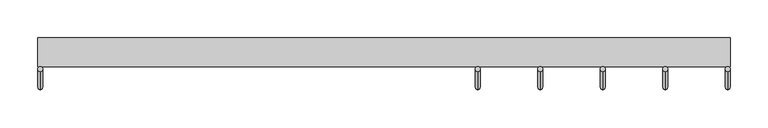
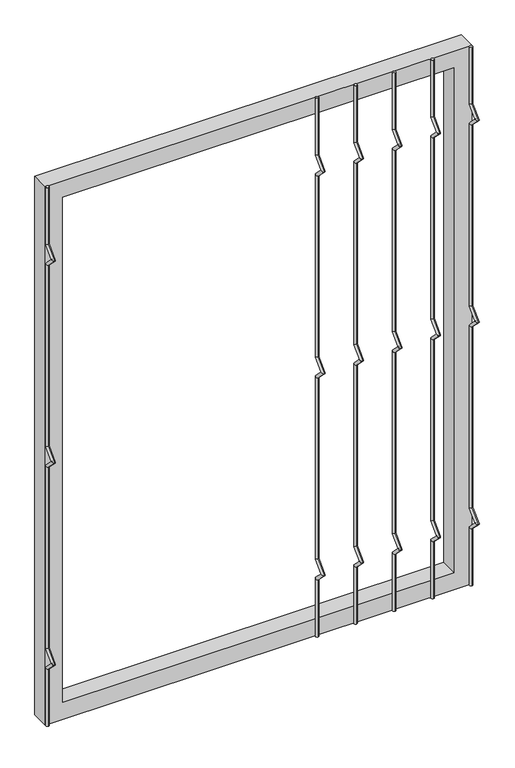
"""IFC4 building model written with IfcOpenShell, lengths in millimetres: railing geometry."""

from ifc_helpers import new_model, si_unit, frame, origin, place, context, project, spatial, polyline, circle_curve, ellipse_curve, outline, extrude, source, transform, mapped, element, save
from ifc_brep_helpers import plane_surface, cylinder_surface, advanced_brep


def railing_e8e0dc01(model_context):
    return source(origin(), model_context, "Body", "SolidModel", [
        advanced_brep(
        [(-20398.3556958, 14808.5554142, 25.4), (-20398.3556958, 14802.2054142, 25.4), (-20398.3556958, 14802.2054142, 154.0342316), (-20398.3556958, 14808.5554142, 156.6644878), (-20398.3556958, 14778.4396458, 177.8), (-20398.3556958, 14787.419902, 177.8), (-20398.3556958, 14802.2054142, 201.5657684), (-20398.3556958, 14808.5554142, 198.9355122), (-20398.3556958, 14802.2054142, 611.2342316), (-20398.3556958, 14808.5554142, 613.8644878), (-20398.3556958, 14778.4396458, 635.0), (-20398.3556958, 14787.419902, 635.0), (-20398.3556958, 14802.2054142, 658.7657684), (-20398.3556958, 14808.5554142, 656.1355122), (-20398.3556958, 14802.2054142, 1068.4342316), (-20398.3556958, 14808.5554142, 1071.0644878), (-20398.3556958, 14778.4396458, 1092.2), (-20398.3556958, 14787.419902, 1092.2), (-20398.3556958, 14802.2054142, 1115.9657684), (-20398.3556958, 14808.5554142, 1113.3355122), (-20398.3556958, 14808.5554142, 1244.6), (-20398.3556958, 14802.2054142, 1244.6)],
        [
            (0, 1, circle_curve(frame((-20398.3556958, 14805.3804142, 25.4), z_axis=(0.0, 0.0, -1.0), x_axis=(0.0, -1.0, 0.0)), 3.175)),
            (1, 0, circle_curve(frame((-20398.3556958, 14805.3804142, 25.4), z_axis=(0.0, 0.0, -1.0), x_axis=(0.0, -1.0, 0.0)), 3.175)),
            (1, 2),
            (2, 3, ellipse_curve(frame((-20398.3556958, 14805.3804142, 155.3493597), z_axis=(0.0, 0.3826834323650955, -0.9238795325112844), x_axis=(0.0, -0.9238795325112845, -0.38268343236509544)), 3.4365952, 3.175)),
            (3, 0),
            (3, 2, ellipse_curve(frame((-20398.3556958, 14805.3804142, 155.3493597), z_axis=(0.0, 0.3826834323650955, -0.9238795325112844), x_axis=(0.0, -0.9238795325112845, -0.38268343236509544)), 3.4365952, 3.175)),
            (2, 4),
            (4, 5, ellipse_curve(frame((-20398.3556958, 14782.9297739, 177.8), z_axis=(0.0, 0.0, -1.0), x_axis=(0.0, 1.0, 0.0)), 4.4901281, 3.175)),
            (5, 3),
            (5, 4, ellipse_curve(frame((-20398.3556958, 14782.9297739, 177.8), z_axis=(0.0, 0.0, -1.0), x_axis=(0.0, 1.0, 0.0)), 4.4901281, 3.175)),
            (4, 6),
            (6, 7, ellipse_curve(frame((-20398.3556958, 14805.3804142, 200.2506403), z_axis=(0.0, -0.3826834323650839, -0.9238795325112892), x_axis=(0.0, -0.9238795325112893, 0.38268343236508373)), 3.4365952, 3.175)),
            (7, 5),
            (7, 6, ellipse_curve(frame((-20398.3556958, 14805.3804142, 200.2506403), z_axis=(0.0, -0.3826834323650839, -0.9238795325112892), x_axis=(0.0, -0.9238795325112893, 0.38268343236508373)), 3.4365952, 3.175)),
            (6, 8),
            (8, 9, ellipse_curve(frame((-20398.3556958, 14805.3804142, 612.5493597), z_axis=(0.0, 0.3826834323651024, -0.9238795325112816), x_axis=(0.0, -0.9238795325112816, -0.382683432365102)), 3.4365952, 3.175)),
            (9, 7),
            (9, 8, ellipse_curve(frame((-20398.3556958, 14805.3804142, 612.5493597), z_axis=(0.0, 0.3826834323651024, -0.9238795325112816), x_axis=(0.0, -0.9238795325112816, -0.382683432365102)), 3.4365952, 3.175)),
            (8, 10),
            (10, 11, ellipse_curve(frame((-20398.3556958, 14782.9297739, 635.0), z_axis=(0.0, 0.0, -1.0), x_axis=(0.0, 1.0, 0.0)), 4.4901281, 3.175)),
            (11, 9),
            (11, 10, ellipse_curve(frame((-20398.3556958, 14782.9297739, 635.0), z_axis=(0.0, 0.0, -1.0), x_axis=(0.0, 1.0, 0.0)), 4.4901281, 3.175)),
            (10, 12),
            (12, 13, ellipse_curve(frame((-20398.3556958, 14805.3804142, 657.4506403), z_axis=(0.0, -0.3826834323650771, -0.923879532511292), x_axis=(0.0, -0.9238795325112918, 0.3826834323650773)), 3.4365952, 3.175)),
            (13, 11),
            (13, 12, ellipse_curve(frame((-20398.3556958, 14805.3804142, 657.4506403), z_axis=(0.0, -0.3826834323650771, -0.923879532511292), x_axis=(0.0, -0.9238795325112918, 0.3826834323650773)), 3.4365952, 3.175)),
            (12, 14),
            (14, 15, ellipse_curve(frame((-20398.3556958, 14805.3804142, 1069.7493597), z_axis=(0.0, 0.3826834323650978, -0.9238795325112834), x_axis=(0.0, -0.9238795325112834, -0.382683432365098)), 3.4365952, 3.175)),
            (15, 13),
            (15, 14, ellipse_curve(frame((-20398.3556958, 14805.3804142, 1069.7493597), z_axis=(0.0, 0.3826834323650978, -0.9238795325112834), x_axis=(0.0, -0.9238795325112834, -0.382683432365098)), 3.4365952, 3.175)),
            (14, 16),
            (16, 17, ellipse_curve(frame((-20398.3556958, 14782.9297739, 1092.2), z_axis=(0.0, 0.0, -1.0), x_axis=(0.0, 1.0, 0.0)), 4.4901281, 3.175)),
            (17, 15),
            (17, 16, ellipse_curve(frame((-20398.3556958, 14782.9297739, 1092.2), z_axis=(0.0, 0.0, -1.0), x_axis=(0.0, 1.0, 0.0)), 4.4901281, 3.175)),
            (16, 18),
            (18, 19, ellipse_curve(frame((-20398.3556958, 14805.3804142, 1114.6506403), z_axis=(0.0, -0.38268343236508223, -0.9238795325112898), x_axis=(0.0, -0.92387953251129, 0.38268343236508207)), 3.4365952, 3.175)),
            (19, 17),
            (19, 18, ellipse_curve(frame((-20398.3556958, 14805.3804142, 1114.6506403), z_axis=(0.0, -0.38268343236508223, -0.9238795325112898), x_axis=(0.0, -0.92387953251129, 0.38268343236508207)), 3.4365952, 3.175)),
            (20, 21, circle_curve(frame((-20398.3556958, 14805.3804142, 1244.6), z_axis=(0.0, 0.0, 1.0), x_axis=(0.0, -1.0, 0.0)), 3.175)),
            (21, 20, circle_curve(frame((-20398.3556958, 14805.3804142, 1244.6), z_axis=(0.0, 0.0, 1.0), x_axis=(0.0, -1.0, 0.0)), 3.175)),
            (18, 21),
            (20, 19),
        ],
        [
            plane_surface(frame((-20398.3556958, 14805.3804142, 25.4), z_axis=(0.0, 0.0, -1.0), x_axis=(-1.0, 0.0, 0.0))),
            cylinder_surface(frame((-20398.3556958, 14805.3804142, 25.4), z_axis=(0.0, 0.0, -1.0), x_axis=(0.0, -1.0, 0.0)), 3.175),
            cylinder_surface(frame((-20398.3556958, 14805.3804142, 155.3493597), z_axis=(0.0, 0.7071067811865563, -0.7071067811865388), x_axis=(0.0, -0.7071067811865388, -0.7071067811865563)), 3.175),
            cylinder_surface(frame((-20398.3556958, 14782.9297739, 177.8), z_axis=(0.0, -0.7071067811865385, -0.7071067811865568), x_axis=(0.0, -0.7071067811865568, 0.7071067811865385)), 3.175),
            cylinder_surface(frame((-20398.3556958, 14805.3804142, 200.2506403), z_axis=(0.0, 0.0, -1.0), x_axis=(0.0, -1.0, 0.0)), 3.175),
            cylinder_surface(frame((-20398.3556958, 14805.3804142, 612.5493597), z_axis=(0.0, 0.7071067811865669, -0.707106781186528), x_axis=(0.0, -0.707106781186528, -0.7071067811865669)), 3.175),
            cylinder_surface(frame((-20398.3556958, 14782.9297739, 635.0), z_axis=(0.0, -0.7071067811865279, -0.7071067811865672), x_axis=(0.0, -0.7071067811865672, 0.7071067811865279)), 3.175),
            cylinder_surface(frame((-20398.3556958, 14805.3804142, 657.4506403), z_axis=(0.0, 0.0, -1.0), x_axis=(0.0, -1.0, 0.0)), 3.175),
            cylinder_surface(frame((-20398.3556958, 14805.3804142, 1069.7493597), z_axis=(0.0, 0.7071067811865601, -0.707106781186535), x_axis=(0.0, -0.707106781186535, -0.7071067811865601)), 3.175),
            cylinder_surface(frame((-20398.3556958, 14782.9297739, 1092.2), z_axis=(0.0, -0.7071067811865356, -0.7071067811865596), x_axis=(0.0, -0.7071067811865596, 0.7071067811865356)), 3.175),
            plane_surface(frame((-20398.3556958, 14805.3804142, 1244.6), z_axis=(0.0, 0.0, 1.0), x_axis=(-1.0, 0.0, 0.0))),
            cylinder_surface(frame((-20398.3556958, 14805.3804142, 1114.6506403), z_axis=(0.0, 0.0, -1.0), x_axis=(0.0, -1.0, 0.0)), 3.175),
        ],
        [
            (0, [[1, 2]]),
            (1, [[3, 4, 5, -2]]),
            (1, [[-5, 6, -3, -1]]),
            (2, [[7, 8, 9, -4]]),
            (2, [[-9, 10, -7, -6]]),
            (3, [[11, 12, 13, -8]]),
            (3, [[-13, 14, -11, -10]]),
            (4, [[15, 16, 17, -12]]),
            (4, [[-17, 18, -15, -14]]),
            (5, [[19, 20, 21, -16]]),
            (5, [[-21, 22, -19, -18]]),
            (6, [[23, 24, 25, -20]]),
            (6, [[-25, 26, -23, -22]]),
            (7, [[27, 28, 29, -24]]),
            (7, [[-29, 30, -27, -26]]),
            (8, [[31, 32, 33, -28]]),
            (8, [[-33, 34, -31, -30]]),
            (9, [[35, 36, 37, -32]]),
            (9, [[-37, 38, -35, -34]]),
            (10, [[39, 40]]),
            (11, [[41, -39, 42, -36]]),
            (11, [[-42, -40, -41, -38]]),
        ],
    ),
        advanced_brep(
        [(-20315.8056958, 14808.5554142, 25.4), (-20315.8056958, 14802.2054142, 25.4), (-20315.8056958, 14802.2054142, 154.0342316), (-20315.8056958, 14808.5554142, 156.6644878), (-20315.8056958, 14778.4396458, 177.8), (-20315.8056958, 14787.419902, 177.8), (-20315.8056958, 14802.2054142, 201.5657684), (-20315.8056958, 14808.5554142, 198.9355122), (-20315.8056958, 14802.2054142, 611.2342316), (-20315.8056958, 14808.5554142, 613.8644878), (-20315.8056958, 14778.4396458, 635.0), (-20315.8056958, 14787.419902, 635.0), (-20315.8056958, 14802.2054142, 658.7657684), (-20315.8056958, 14808.5554142, 656.1355122), (-20315.8056958, 14802.2054142, 1068.4342316), (-20315.8056958, 14808.5554142, 1071.0644878), (-20315.8056958, 14778.4396458, 1092.2), (-20315.8056958, 14787.419902, 1092.2), (-20315.8056958, 14802.2054142, 1115.9657684), (-20315.8056958, 14808.5554142, 1113.3355122), (-20315.8056958, 14808.5554142, 1244.6), (-20315.8056958, 14802.2054142, 1244.6)],
        [
            (0, 1, circle_curve(frame((-20315.8056958, 14805.3804142, 25.4), z_axis=(0.0, 0.0, -1.0), x_axis=(0.0, -1.0, 0.0)), 3.175)),
            (1, 0, circle_curve(frame((-20315.8056958, 14805.3804142, 25.4), z_axis=(0.0, 0.0, -1.0), x_axis=(0.0, -1.0, 0.0)), 3.175)),
            (1, 2),
            (2, 3, ellipse_curve(frame((-20315.8056958, 14805.3804142, 155.3493597), z_axis=(0.0, 0.3826834323650955, -0.9238795325112844), x_axis=(0.0, -0.9238795325112845, -0.38268343236509544)), 3.4365952, 3.175)),
            (3, 0),
            (3, 2, ellipse_curve(frame((-20315.8056958, 14805.3804142, 155.3493597), z_axis=(0.0, 0.3826834323650955, -0.9238795325112844), x_axis=(0.0, -0.9238795325112845, -0.38268343236509544)), 3.4365952, 3.175)),
            (2, 4),
            (4, 5, ellipse_curve(frame((-20315.8056958, 14782.9297739, 177.8), z_axis=(0.0, 0.0, -1.0), x_axis=(0.0, 1.0, 0.0)), 4.4901281, 3.175)),
            (5, 3),
            (5, 4, ellipse_curve(frame((-20315.8056958, 14782.9297739, 177.8), z_axis=(0.0, 0.0, -1.0), x_axis=(0.0, 1.0, 0.0)), 4.4901281, 3.175)),
            (4, 6),
            (6, 7, ellipse_curve(frame((-20315.8056958, 14805.3804142, 200.2506403), z_axis=(0.0, -0.3826834323650839, -0.9238795325112892), x_axis=(0.0, -0.9238795325112893, 0.38268343236508373)), 3.4365952, 3.175)),
            (7, 5),
            (7, 6, ellipse_curve(frame((-20315.8056958, 14805.3804142, 200.2506403), z_axis=(0.0, -0.3826834323650839, -0.9238795325112892), x_axis=(0.0, -0.9238795325112893, 0.38268343236508373)), 3.4365952, 3.175)),
            (6, 8),
            (8, 9, ellipse_curve(frame((-20315.8056958, 14805.3804142, 612.5493597), z_axis=(0.0, 0.3826834323651024, -0.9238795325112816), x_axis=(0.0, -0.9238795325112816, -0.382683432365102)), 3.4365952, 3.175)),
            (9, 7),
            (9, 8, ellipse_curve(frame((-20315.8056958, 14805.3804142, 612.5493597), z_axis=(0.0, 0.3826834323651024, -0.9238795325112816), x_axis=(0.0, -0.9238795325112816, -0.382683432365102)), 3.4365952, 3.175)),
            (8, 10),
            (10, 11, ellipse_curve(frame((-20315.8056958, 14782.9297739, 635.0), z_axis=(0.0, 0.0, -1.0), x_axis=(0.0, 1.0, 0.0)), 4.4901281, 3.175)),
            (11, 9),
            (11, 10, ellipse_curve(frame((-20315.8056958, 14782.9297739, 635.0), z_axis=(0.0, 0.0, -1.0), x_axis=(0.0, 1.0, 0.0)), 4.4901281, 3.175)),
            (10, 12),
            (12, 13, ellipse_curve(frame((-20315.8056958, 14805.3804142, 657.4506403), z_axis=(0.0, -0.3826834323650771, -0.923879532511292), x_axis=(0.0, -0.9238795325112918, 0.3826834323650773)), 3.4365952, 3.175)),
            (13, 11),
            (13, 12, ellipse_curve(frame((-20315.8056958, 14805.3804142, 657.4506403), z_axis=(0.0, -0.3826834323650771, -0.923879532511292), x_axis=(0.0, -0.9238795325112918, 0.3826834323650773)), 3.4365952, 3.175)),
            (12, 14),
            (14, 15, ellipse_curve(frame((-20315.8056958, 14805.3804142, 1069.7493597), z_axis=(0.0, 0.3826834323650978, -0.9238795325112834), x_axis=(0.0, -0.9238795325112834, -0.382683432365098)), 3.4365952, 3.175)),
            (15, 13),
            (15, 14, ellipse_curve(frame((-20315.8056958, 14805.3804142, 1069.7493597), z_axis=(0.0, 0.3826834323650978, -0.9238795325112834), x_axis=(0.0, -0.9238795325112834, -0.382683432365098)), 3.4365952, 3.175)),
            (14, 16),
            (16, 17, ellipse_curve(frame((-20315.8056958, 14782.9297739, 1092.2), z_axis=(0.0, 0.0, -1.0), x_axis=(0.0, 1.0, 0.0)), 4.4901281, 3.175)),
            (17, 15),
            (17, 16, ellipse_curve(frame((-20315.8056958, 14782.9297739, 1092.2), z_axis=(0.0, 0.0, -1.0), x_axis=(0.0, 1.0, 0.0)), 4.4901281, 3.175)),
            (16, 18),
            (18, 19, ellipse_curve(frame((-20315.8056958, 14805.3804142, 1114.6506403), z_axis=(0.0, -0.38268343236508223, -0.9238795325112898), x_axis=(0.0, -0.92387953251129, 0.38268343236508207)), 3.4365952, 3.175)),
            (19, 17),
            (19, 18, ellipse_curve(frame((-20315.8056958, 14805.3804142, 1114.6506403), z_axis=(0.0, -0.38268343236508223, -0.9238795325112898), x_axis=(0.0, -0.92387953251129, 0.38268343236508207)), 3.4365952, 3.175)),
            (20, 21, circle_curve(frame((-20315.8056958, 14805.3804142, 1244.6), z_axis=(0.0, 0.0, 1.0), x_axis=(0.0, -1.0, 0.0)), 3.175)),
            (21, 20, circle_curve(frame((-20315.8056958, 14805.3804142, 1244.6), z_axis=(0.0, 0.0, 1.0), x_axis=(0.0, -1.0, 0.0)), 3.175)),
            (18, 21),
            (20, 19),
        ],
        [
            plane_surface(frame((-20315.8056958, 14805.3804142, 25.4), z_axis=(0.0, 0.0, -1.0), x_axis=(-1.0, 0.0, 0.0))),
            cylinder_surface(frame((-20315.8056958, 14805.3804142, 25.4), z_axis=(0.0, 0.0, -1.0), x_axis=(0.0, -1.0, 0.0)), 3.175),
            cylinder_surface(frame((-20315.8056958, 14805.3804142, 155.3493597), z_axis=(0.0, 0.7071067811865563, -0.7071067811865388), x_axis=(0.0, -0.7071067811865388, -0.7071067811865563)), 3.175),
            cylinder_surface(frame((-20315.8056958, 14782.9297739, 177.8), z_axis=(0.0, -0.7071067811865385, -0.7071067811865568), x_axis=(0.0, -0.7071067811865568, 0.7071067811865385)), 3.175),
            cylinder_surface(frame((-20315.8056958, 14805.3804142, 200.2506403), z_axis=(0.0, 0.0, -1.0), x_axis=(0.0, -1.0, 0.0)), 3.175),
            cylinder_surface(frame((-20315.8056958, 14805.3804142, 612.5493597), z_axis=(0.0, 0.7071067811865669, -0.707106781186528), x_axis=(0.0, -0.707106781186528, -0.7071067811865669)), 3.175),
            cylinder_surface(frame((-20315.8056958, 14782.9297739, 635.0), z_axis=(0.0, -0.7071067811865279, -0.7071067811865672), x_axis=(0.0, -0.7071067811865672, 0.7071067811865279)), 3.175),
            cylinder_surface(frame((-20315.8056958, 14805.3804142, 657.4506403), z_axis=(0.0, 0.0, -1.0), x_axis=(0.0, -1.0, 0.0)), 3.175),
            cylinder_surface(frame((-20315.8056958, 14805.3804142, 1069.7493597), z_axis=(0.0, 0.7071067811865601, -0.707106781186535), x_axis=(0.0, -0.707106781186535, -0.7071067811865601)), 3.175),
            cylinder_surface(frame((-20315.8056958, 14782.9297739, 1092.2), z_axis=(0.0, -0.7071067811865356, -0.7071067811865596), x_axis=(0.0, -0.7071067811865596, 0.7071067811865356)), 3.175),
            plane_surface(frame((-20315.8056958, 14805.3804142, 1244.6), z_axis=(0.0, 0.0, 1.0), x_axis=(-1.0, 0.0, 0.0))),
            cylinder_surface(frame((-20315.8056958, 14805.3804142, 1114.6506403), z_axis=(0.0, 0.0, -1.0), x_axis=(0.0, -1.0, 0.0)), 3.175),
        ],
        [
            (0, [[1, 2]]),
            (1, [[3, 4, 5, -2]]),
            (1, [[-5, 6, -3, -1]]),
            (2, [[7, 8, 9, -4]]),
            (2, [[-9, 10, -7, -6]]),
            (3, [[11, 12, 13, -8]]),
            (3, [[-13, 14, -11, -10]]),
            (4, [[15, 16, 17, -12]]),
            (4, [[-17, 18, -15, -14]]),
            (5, [[19, 20, 21, -16]]),
            (5, [[-21, 22, -19, -18]]),
            (6, [[23, 24, 25, -20]]),
            (6, [[-25, 26, -23, -22]]),
            (7, [[27, 28, 29, -24]]),
            (7, [[-29, 30, -27, -26]]),
            (8, [[31, 32, 33, -28]]),
            (8, [[-33, 34, -31, -30]]),
            (9, [[35, 36, 37, -32]]),
            (9, [[-37, 38, -35, -34]]),
            (10, [[39, 40]]),
            (11, [[41, -39, 42, -36]]),
            (11, [[-42, -40, -41, -38]]),
        ],
    ),
        advanced_brep(
        [(-20233.2556958, 14808.5554142, 25.4), (-20233.2556958, 14802.2054142, 25.4), (-20233.2556958, 14802.2054142, 154.0342316), (-20233.2556958, 14808.5554142, 156.6644878), (-20233.2556958, 14778.4396458, 177.8), (-20233.2556958, 14787.419902, 177.8), (-20233.2556958, 14802.2054142, 201.5657684), (-20233.2556958, 14808.5554142, 198.9355122), (-20233.2556958, 14802.2054142, 611.2342316), (-20233.2556958, 14808.5554142, 613.8644878), (-20233.2556958, 14778.4396458, 635.0), (-20233.2556958, 14787.419902, 635.0), (-20233.2556958, 14802.2054142, 658.7657684), (-20233.2556958, 14808.5554142, 656.1355122), (-20233.2556958, 14802.2054142, 1068.4342316), (-20233.2556958, 14808.5554142, 1071.0644878), (-20233.2556958, 14778.4396458, 1092.2), (-20233.2556958, 14787.419902, 1092.2), (-20233.2556958, 14802.2054142, 1115.9657684), (-20233.2556958, 14808.5554142, 1113.3355122), (-20233.2556958, 14808.5554142, 1244.6), (-20233.2556958, 14802.2054142, 1244.6)],
        [
            (0, 1, circle_curve(frame((-20233.2556958, 14805.3804142, 25.4), z_axis=(0.0, 0.0, -1.0), x_axis=(0.0, -1.0, 0.0)), 3.175)),
            (1, 0, circle_curve(frame((-20233.2556958, 14805.3804142, 25.4), z_axis=(0.0, 0.0, -1.0), x_axis=(0.0, -1.0, 0.0)), 3.175)),
            (1, 2),
            (2, 3, ellipse_curve(frame((-20233.2556958, 14805.3804142, 155.3493597), z_axis=(0.0, 0.3826834323650955, -0.9238795325112844), x_axis=(0.0, -0.9238795325112845, -0.38268343236509544)), 3.4365952, 3.175)),
            (3, 0),
            (3, 2, ellipse_curve(frame((-20233.2556958, 14805.3804142, 155.3493597), z_axis=(0.0, 0.3826834323650955, -0.9238795325112844), x_axis=(0.0, -0.9238795325112845, -0.38268343236509544)), 3.4365952, 3.175)),
            (2, 4),
            (4, 5, ellipse_curve(frame((-20233.2556958, 14782.9297739, 177.8), z_axis=(0.0, 0.0, -1.0), x_axis=(0.0, 1.0, 0.0)), 4.4901281, 3.175)),
            (5, 3),
            (5, 4, ellipse_curve(frame((-20233.2556958, 14782.9297739, 177.8), z_axis=(0.0, 0.0, -1.0), x_axis=(0.0, 1.0, 0.0)), 4.4901281, 3.175)),
            (4, 6),
            (6, 7, ellipse_curve(frame((-20233.2556958, 14805.3804142, 200.2506403), z_axis=(0.0, -0.3826834323650839, -0.9238795325112892), x_axis=(0.0, -0.9238795325112893, 0.38268343236508373)), 3.4365952, 3.175)),
            (7, 5),
            (7, 6, ellipse_curve(frame((-20233.2556958, 14805.3804142, 200.2506403), z_axis=(0.0, -0.3826834323650839, -0.9238795325112892), x_axis=(0.0, -0.9238795325112893, 0.38268343236508373)), 3.4365952, 3.175)),
            (6, 8),
            (8, 9, ellipse_curve(frame((-20233.2556958, 14805.3804142, 612.5493597), z_axis=(0.0, 0.3826834323651024, -0.9238795325112816), x_axis=(0.0, -0.9238795325112816, -0.382683432365102)), 3.4365952, 3.175)),
            (9, 7),
            (9, 8, ellipse_curve(frame((-20233.2556958, 14805.3804142, 612.5493597), z_axis=(0.0, 0.3826834323651024, -0.9238795325112816), x_axis=(0.0, -0.9238795325112816, -0.382683432365102)), 3.4365952, 3.175)),
            (8, 10),
            (10, 11, ellipse_curve(frame((-20233.2556958, 14782.9297739, 635.0), z_axis=(0.0, 0.0, -1.0), x_axis=(0.0, 1.0, 0.0)), 4.4901281, 3.175)),
            (11, 9),
            (11, 10, ellipse_curve(frame((-20233.2556958, 14782.9297739, 635.0), z_axis=(0.0, 0.0, -1.0), x_axis=(0.0, 1.0, 0.0)), 4.4901281, 3.175)),
            (10, 12),
            (12, 13, ellipse_curve(frame((-20233.2556958, 14805.3804142, 657.4506403), z_axis=(0.0, -0.3826834323650771, -0.923879532511292), x_axis=(0.0, -0.9238795325112918, 0.3826834323650773)), 3.4365952, 3.175)),
            (13, 11),
            (13, 12, ellipse_curve(frame((-20233.2556958, 14805.3804142, 657.4506403), z_axis=(0.0, -0.3826834323650771, -0.923879532511292), x_axis=(0.0, -0.9238795325112918, 0.3826834323650773)), 3.4365952, 3.175)),
            (12, 14),
            (14, 15, ellipse_curve(frame((-20233.2556958, 14805.3804142, 1069.7493597), z_axis=(0.0, 0.3826834323650978, -0.9238795325112834), x_axis=(0.0, -0.9238795325112834, -0.382683432365098)), 3.4365952, 3.175)),
            (15, 13),
            (15, 14, ellipse_curve(frame((-20233.2556958, 14805.3804142, 1069.7493597), z_axis=(0.0, 0.3826834323650978, -0.9238795325112834), x_axis=(0.0, -0.9238795325112834, -0.382683432365098)), 3.4365952, 3.175)),
            (14, 16),
            (16, 17, ellipse_curve(frame((-20233.2556958, 14782.9297739, 1092.2), z_axis=(0.0, 0.0, -1.0), x_axis=(0.0, 1.0, 0.0)), 4.4901281, 3.175)),
            (17, 15),
            (17, 16, ellipse_curve(frame((-20233.2556958, 14782.9297739, 1092.2), z_axis=(0.0, 0.0, -1.0), x_axis=(0.0, 1.0, 0.0)), 4.4901281, 3.175)),
            (16, 18),
            (18, 19, ellipse_curve(frame((-20233.2556958, 14805.3804142, 1114.6506403), z_axis=(0.0, -0.38268343236508223, -0.9238795325112898), x_axis=(0.0, -0.92387953251129, 0.38268343236508207)), 3.4365952, 3.175)),
            (19, 17),
            (19, 18, ellipse_curve(frame((-20233.2556958, 14805.3804142, 1114.6506403), z_axis=(0.0, -0.38268343236508223, -0.9238795325112898), x_axis=(0.0, -0.92387953251129, 0.38268343236508207)), 3.4365952, 3.175)),
            (20, 21, circle_curve(frame((-20233.2556958, 14805.3804142, 1244.6), z_axis=(0.0, 0.0, 1.0), x_axis=(0.0, -1.0, 0.0)), 3.175)),
            (21, 20, circle_curve(frame((-20233.2556958, 14805.3804142, 1244.6), z_axis=(0.0, 0.0, 1.0), x_axis=(0.0, -1.0, 0.0)), 3.175)),
            (18, 21),
            (20, 19),
        ],
        [
            plane_surface(frame((-20233.2556958, 14805.3804142, 25.4), z_axis=(0.0, 0.0, -1.0), x_axis=(-1.0, 0.0, 0.0))),
            cylinder_surface(frame((-20233.2556958, 14805.3804142, 25.4), z_axis=(0.0, 0.0, -1.0), x_axis=(0.0, -1.0, 0.0)), 3.175),
            cylinder_surface(frame((-20233.2556958, 14805.3804142, 155.3493597), z_axis=(0.0, 0.7071067811865563, -0.7071067811865388), x_axis=(0.0, -0.7071067811865388, -0.7071067811865563)), 3.175),
            cylinder_surface(frame((-20233.2556958, 14782.9297739, 177.8), z_axis=(0.0, -0.7071067811865385, -0.7071067811865568), x_axis=(0.0, -0.7071067811865568, 0.7071067811865385)), 3.175),
            cylinder_surface(frame((-20233.2556958, 14805.3804142, 200.2506403), z_axis=(0.0, 0.0, -1.0), x_axis=(0.0, -1.0, 0.0)), 3.175),
            cylinder_surface(frame((-20233.2556958, 14805.3804142, 612.5493597), z_axis=(0.0, 0.7071067811865669, -0.707106781186528), x_axis=(0.0, -0.707106781186528, -0.7071067811865669)), 3.175),
            cylinder_surface(frame((-20233.2556958, 14782.9297739, 635.0), z_axis=(0.0, -0.7071067811865279, -0.7071067811865672), x_axis=(0.0, -0.7071067811865672, 0.7071067811865279)), 3.175),
            cylinder_surface(frame((-20233.2556958, 14805.3804142, 657.4506403), z_axis=(0.0, 0.0, -1.0), x_axis=(0.0, -1.0, 0.0)), 3.175),
            cylinder_surface(frame((-20233.2556958, 14805.3804142, 1069.7493597), z_axis=(0.0, 0.7071067811865601, -0.707106781186535), x_axis=(0.0, -0.707106781186535, -0.7071067811865601)), 3.175),
            cylinder_surface(frame((-20233.2556958, 14782.9297739, 1092.2), z_axis=(0.0, -0.7071067811865356, -0.7071067811865596), x_axis=(0.0, -0.7071067811865596, 0.7071067811865356)), 3.175),
            plane_surface(frame((-20233.2556958, 14805.3804142, 1244.6), z_axis=(0.0, 0.0, 1.0), x_axis=(-1.0, 0.0, 0.0))),
            cylinder_surface(frame((-20233.2556958, 14805.3804142, 1114.6506403), z_axis=(0.0, 0.0, -1.0), x_axis=(0.0, -1.0, 0.0)), 3.175),
        ],
        [
            (0, [[1, 2]]),
            (1, [[3, 4, 5, -2]]),
            (1, [[-5, 6, -3, -1]]),
            (2, [[7, 8, 9, -4]]),
            (2, [[-9, 10, -7, -6]]),
            (3, [[11, 12, 13, -8]]),
            (3, [[-13, 14, -11, -10]]),
            (4, [[15, 16, 17, -12]]),
            (4, [[-17, 18, -15, -14]]),
            (5, [[19, 20, 21, -16]]),
            (5, [[-21, 22, -19, -18]]),
            (6, [[23, 24, 25, -20]]),
            (6, [[-25, 26, -23, -22]]),
            (7, [[27, 28, 29, -24]]),
            (7, [[-29, 30, -27, -26]]),
            (8, [[31, 32, 33, -28]]),
            (8, [[-33, 34, -31, -30]]),
            (9, [[35, 36, 37, -32]]),
            (9, [[-37, 38, -35, -34]]),
            (10, [[39, 40]]),
            (11, [[41, -39, 42, -36]]),
            (11, [[-42, -40, -41, -38]]),
        ],
    ),
        advanced_brep(
        [(-20150.7056958, 14808.5554142, 25.4), (-20150.7056958, 14802.2054142, 25.4), (-20150.7056958, 14802.2054142, 154.0342316), (-20150.7056958, 14808.5554142, 156.6644878), (-20150.7056958, 14778.4396458, 177.8), (-20150.7056958, 14787.419902, 177.8), (-20150.7056958, 14802.2054142, 201.5657684), (-20150.7056958, 14808.5554142, 198.9355122), (-20150.7056958, 14802.2054142, 611.2342316), (-20150.7056958, 14808.5554142, 613.8644878), (-20150.7056958, 14778.4396458, 635.0), (-20150.7056958, 14787.419902, 635.0), (-20150.7056958, 14802.2054142, 658.7657684), (-20150.7056958, 14808.5554142, 656.1355122), (-20150.7056958, 14802.2054142, 1068.4342316), (-20150.7056958, 14808.5554142, 1071.0644878), (-20150.7056958, 14778.4396458, 1092.2), (-20150.7056958, 14787.419902, 1092.2), (-20150.7056958, 14802.2054142, 1115.9657684), (-20150.7056958, 14808.5554142, 1113.3355122), (-20150.7056958, 14808.5554142, 1244.6), (-20150.7056958, 14802.2054142, 1244.6)],
        [
            (0, 1, circle_curve(frame((-20150.7056958, 14805.3804142, 25.4), z_axis=(0.0, 0.0, -1.0), x_axis=(0.0, -1.0, 0.0)), 3.175)),
            (1, 0, circle_curve(frame((-20150.7056958, 14805.3804142, 25.4), z_axis=(0.0, 0.0, -1.0), x_axis=(0.0, -1.0, 0.0)), 3.175)),
            (1, 2),
            (2, 3, ellipse_curve(frame((-20150.7056958, 14805.3804142, 155.3493597), z_axis=(0.0, 0.3826834323650955, -0.9238795325112844), x_axis=(0.0, -0.9238795325112845, -0.38268343236509544)), 3.4365952, 3.175)),
            (3, 0),
            (3, 2, ellipse_curve(frame((-20150.7056958, 14805.3804142, 155.3493597), z_axis=(0.0, 0.3826834323650955, -0.9238795325112844), x_axis=(0.0, -0.9238795325112845, -0.38268343236509544)), 3.4365952, 3.175)),
            (2, 4),
            (4, 5, ellipse_curve(frame((-20150.7056958, 14782.9297739, 177.8), z_axis=(0.0, 0.0, -1.0), x_axis=(0.0, 1.0, 0.0)), 4.4901281, 3.175)),
            (5, 3),
            (5, 4, ellipse_curve(frame((-20150.7056958, 14782.9297739, 177.8), z_axis=(0.0, 0.0, -1.0), x_axis=(0.0, 1.0, 0.0)), 4.4901281, 3.175)),
            (4, 6),
            (6, 7, ellipse_curve(frame((-20150.7056958, 14805.3804142, 200.2506403), z_axis=(0.0, -0.3826834323650839, -0.9238795325112892), x_axis=(0.0, -0.9238795325112893, 0.38268343236508373)), 3.4365952, 3.175)),
            (7, 5),
            (7, 6, ellipse_curve(frame((-20150.7056958, 14805.3804142, 200.2506403), z_axis=(0.0, -0.3826834323650839, -0.9238795325112892), x_axis=(0.0, -0.9238795325112893, 0.38268343236508373)), 3.4365952, 3.175)),
            (6, 8),
            (8, 9, ellipse_curve(frame((-20150.7056958, 14805.3804142, 612.5493597), z_axis=(0.0, 0.3826834323651024, -0.9238795325112816), x_axis=(0.0, -0.9238795325112816, -0.382683432365102)), 3.4365952, 3.175)),
            (9, 7),
            (9, 8, ellipse_curve(frame((-20150.7056958, 14805.3804142, 612.5493597), z_axis=(0.0, 0.3826834323651024, -0.9238795325112816), x_axis=(0.0, -0.9238795325112816, -0.382683432365102)), 3.4365952, 3.175)),
            (8, 10),
            (10, 11, ellipse_curve(frame((-20150.7056958, 14782.9297739, 635.0), z_axis=(0.0, 0.0, -1.0), x_axis=(0.0, 1.0, 0.0)), 4.4901281, 3.175)),
            (11, 9),
            (11, 10, ellipse_curve(frame((-20150.7056958, 14782.9297739, 635.0), z_axis=(0.0, 0.0, -1.0), x_axis=(0.0, 1.0, 0.0)), 4.4901281, 3.175)),
            (10, 12),
            (12, 13, ellipse_curve(frame((-20150.7056958, 14805.3804142, 657.4506403), z_axis=(0.0, -0.3826834323650771, -0.923879532511292), x_axis=(0.0, -0.9238795325112918, 0.3826834323650773)), 3.4365952, 3.175)),
            (13, 11),
            (13, 12, ellipse_curve(frame((-20150.7056958, 14805.3804142, 657.4506403), z_axis=(0.0, -0.3826834323650771, -0.923879532511292), x_axis=(0.0, -0.9238795325112918, 0.3826834323650773)), 3.4365952, 3.175)),
            (12, 14),
            (14, 15, ellipse_curve(frame((-20150.7056958, 14805.3804142, 1069.7493597), z_axis=(0.0, 0.3826834323650978, -0.9238795325112834), x_axis=(0.0, -0.9238795325112834, -0.382683432365098)), 3.4365952, 3.175)),
            (15, 13),
            (15, 14, ellipse_curve(frame((-20150.7056958, 14805.3804142, 1069.7493597), z_axis=(0.0, 0.3826834323650978, -0.9238795325112834), x_axis=(0.0, -0.9238795325112834, -0.382683432365098)), 3.4365952, 3.175)),
            (14, 16),
            (16, 17, ellipse_curve(frame((-20150.7056958, 14782.9297739, 1092.2), z_axis=(0.0, 0.0, -1.0), x_axis=(0.0, 1.0, 0.0)), 4.4901281, 3.175)),
            (17, 15),
            (17, 16, ellipse_curve(frame((-20150.7056958, 14782.9297739, 1092.2), z_axis=(0.0, 0.0, -1.0), x_axis=(0.0, 1.0, 0.0)), 4.4901281, 3.175)),
            (16, 18),
            (18, 19, ellipse_curve(frame((-20150.7056958, 14805.3804142, 1114.6506403), z_axis=(0.0, -0.38268343236508223, -0.9238795325112898), x_axis=(0.0, -0.92387953251129, 0.38268343236508207)), 3.4365952, 3.175)),
            (19, 17),
            (19, 18, ellipse_curve(frame((-20150.7056958, 14805.3804142, 1114.6506403), z_axis=(0.0, -0.38268343236508223, -0.9238795325112898), x_axis=(0.0, -0.92387953251129, 0.38268343236508207)), 3.4365952, 3.175)),
            (20, 21, circle_curve(frame((-20150.7056958, 14805.3804142, 1244.6), z_axis=(0.0, 0.0, 1.0), x_axis=(0.0, -1.0, 0.0)), 3.175)),
            (21, 20, circle_curve(frame((-20150.7056958, 14805.3804142, 1244.6), z_axis=(0.0, 0.0, 1.0), x_axis=(0.0, -1.0, 0.0)), 3.175)),
            (18, 21),
            (20, 19),
        ],
        [
            plane_surface(frame((-20150.7056958, 14805.3804142, 25.4), z_axis=(0.0, 0.0, -1.0), x_axis=(-1.0, 0.0, 0.0))),
            cylinder_surface(frame((-20150.7056958, 14805.3804142, 25.4), z_axis=(0.0, 0.0, -1.0), x_axis=(0.0, -1.0, 0.0)), 3.175),
            cylinder_surface(frame((-20150.7056958, 14805.3804142, 155.3493597), z_axis=(0.0, 0.7071067811865563, -0.7071067811865388), x_axis=(0.0, -0.7071067811865388, -0.7071067811865563)), 3.175),
            cylinder_surface(frame((-20150.7056958, 14782.9297739, 177.8), z_axis=(0.0, -0.7071067811865385, -0.7071067811865568), x_axis=(0.0, -0.7071067811865568, 0.7071067811865385)), 3.175),
            cylinder_surface(frame((-20150.7056958, 14805.3804142, 200.2506403), z_axis=(0.0, 0.0, -1.0), x_axis=(0.0, -1.0, 0.0)), 3.175),
            cylinder_surface(frame((-20150.7056958, 14805.3804142, 612.5493597), z_axis=(0.0, 0.7071067811865669, -0.707106781186528), x_axis=(0.0, -0.707106781186528, -0.7071067811865669)), 3.175),
            cylinder_surface(frame((-20150.7056958, 14782.9297739, 635.0), z_axis=(0.0, -0.7071067811865279, -0.7071067811865672), x_axis=(0.0, -0.7071067811865672, 0.7071067811865279)), 3.175),
            cylinder_surface(frame((-20150.7056958, 14805.3804142, 657.4506403), z_axis=(0.0, 0.0, -1.0), x_axis=(0.0, -1.0, 0.0)), 3.175),
            cylinder_surface(frame((-20150.7056958, 14805.3804142, 1069.7493597), z_axis=(0.0, 0.7071067811865601, -0.707106781186535), x_axis=(0.0, -0.707106781186535, -0.7071067811865601)), 3.175),
            cylinder_surface(frame((-20150.7056958, 14782.9297739, 1092.2), z_axis=(0.0, -0.7071067811865356, -0.7071067811865596), x_axis=(0.0, -0.7071067811865596, 0.7071067811865356)), 3.175),
            plane_surface(frame((-20150.7056958, 14805.3804142, 1244.6), z_axis=(0.0, 0.0, 1.0), x_axis=(-1.0, 0.0, 0.0))),
            cylinder_surface(frame((-20150.7056958, 14805.3804142, 1114.6506403), z_axis=(0.0, 0.0, -1.0), x_axis=(0.0, -1.0, 0.0)), 3.175),
        ],
        [
            (0, [[1, 2]]),
            (1, [[3, 4, 5, -2]]),
            (1, [[-5, 6, -3, -1]]),
            (2, [[7, 8, 9, -4]]),
            (2, [[-9, 10, -7, -6]]),
            (3, [[11, 12, 13, -8]]),
            (3, [[-13, 14, -11, -10]]),
            (4, [[15, 16, 17, -12]]),
            (4, [[-17, 18, -15, -14]]),
            (5, [[19, 20, 21, -16]]),
            (5, [[-21, 22, -19, -18]]),
            (6, [[23, 24, 25, -20]]),
            (6, [[-25, 26, -23, -22]]),
            (7, [[27, 28, 29, -24]]),
            (7, [[-29, 30, -27, -26]]),
            (8, [[31, 32, 33, -28]]),
            (8, [[-33, 34, -31, -30]]),
            (9, [[35, 36, 37, -32]]),
            (9, [[-37, 38, -35, -34]]),
            (10, [[39, 40]]),
            (11, [[41, -39, 42, -36]]),
            (11, [[-42, -40, -41, -38]]),
        ],
    ),
        advanced_brep(
        [(-20976.2056958, 14808.5554142, 25.4), (-20976.2056958, 14802.2054142, 25.4), (-20976.2056958, 14802.2054142, 154.0342316), (-20976.2056958, 14808.5554142, 156.6644878), (-20976.2056958, 14778.4396458, 177.8), (-20976.2056958, 14787.419902, 177.8), (-20976.2056958, 14802.2054142, 201.5657684), (-20976.2056958, 14808.5554142, 198.9355122), (-20976.2056958, 14802.2054142, 611.2342316), (-20976.2056958, 14808.5554142, 613.8644878), (-20976.2056958, 14778.4396458, 635.0), (-20976.2056958, 14787.419902, 635.0), (-20976.2056958, 14802.2054142, 658.7657684), (-20976.2056958, 14808.5554142, 656.1355122), (-20976.2056958, 14802.2054142, 1068.4342316), (-20976.2056958, 14808.5554142, 1071.0644878), (-20976.2056958, 14778.4396458, 1092.2), (-20976.2056958, 14787.419902, 1092.2), (-20976.2056958, 14802.2054142, 1115.9657684), (-20976.2056958, 14808.5554142, 1113.3355122), (-20976.2056958, 14808.5554142, 1244.6), (-20976.2056958, 14802.2054142, 1244.6)],
        [
            (0, 1, circle_curve(frame((-20976.2056958, 14805.3804142, 25.4), z_axis=(0.0, 0.0, -1.0), x_axis=(0.0, -1.0, 0.0)), 3.175)),
            (1, 0, circle_curve(frame((-20976.2056958, 14805.3804142, 25.4), z_axis=(0.0, 0.0, -1.0), x_axis=(0.0, -1.0, 0.0)), 3.175)),
            (1, 2),
            (2, 3, ellipse_curve(frame((-20976.2056958, 14805.3804142, 155.3493597), z_axis=(0.0, 0.3826834323650955, -0.9238795325112844), x_axis=(0.0, -0.9238795325112845, -0.38268343236509544)), 3.4365952, 3.175)),
            (3, 0),
            (3, 2, ellipse_curve(frame((-20976.2056958, 14805.3804142, 155.3493597), z_axis=(0.0, 0.3826834323650955, -0.9238795325112844), x_axis=(0.0, -0.9238795325112845, -0.38268343236509544)), 3.4365952, 3.175)),
            (2, 4),
            (4, 5, ellipse_curve(frame((-20976.2056958, 14782.9297739, 177.8), z_axis=(0.0, 0.0, -1.0), x_axis=(0.0, 1.0, 0.0)), 4.4901281, 3.175)),
            (5, 3),
            (5, 4, ellipse_curve(frame((-20976.2056958, 14782.9297739, 177.8), z_axis=(0.0, 0.0, -1.0), x_axis=(0.0, 1.0, 0.0)), 4.4901281, 3.175)),
            (4, 6),
            (6, 7, ellipse_curve(frame((-20976.2056958, 14805.3804142, 200.2506403), z_axis=(0.0, -0.3826834323650839, -0.9238795325112892), x_axis=(0.0, -0.9238795325112893, 0.38268343236508373)), 3.4365952, 3.175)),
            (7, 5),
            (7, 6, ellipse_curve(frame((-20976.2056958, 14805.3804142, 200.2506403), z_axis=(0.0, -0.3826834323650839, -0.9238795325112892), x_axis=(0.0, -0.9238795325112893, 0.38268343236508373)), 3.4365952, 3.175)),
            (6, 8),
            (8, 9, ellipse_curve(frame((-20976.2056958, 14805.3804142, 612.5493597), z_axis=(0.0, 0.3826834323651024, -0.9238795325112816), x_axis=(0.0, -0.9238795325112816, -0.382683432365102)), 3.4365952, 3.175)),
            (9, 7),
            (9, 8, ellipse_curve(frame((-20976.2056958, 14805.3804142, 612.5493597), z_axis=(0.0, 0.3826834323651024, -0.9238795325112816), x_axis=(0.0, -0.9238795325112816, -0.382683432365102)), 3.4365952, 3.175)),
            (8, 10),
            (10, 11, ellipse_curve(frame((-20976.2056958, 14782.9297739, 635.0), z_axis=(0.0, 0.0, -1.0), x_axis=(0.0, 1.0, 0.0)), 4.4901281, 3.175)),
            (11, 9),
            (11, 10, ellipse_curve(frame((-20976.2056958, 14782.9297739, 635.0), z_axis=(0.0, 0.0, -1.0), x_axis=(0.0, 1.0, 0.0)), 4.4901281, 3.175)),
            (10, 12),
            (12, 13, ellipse_curve(frame((-20976.2056958, 14805.3804142, 657.4506403), z_axis=(0.0, -0.3826834323650771, -0.923879532511292), x_axis=(0.0, -0.9238795325112918, 0.3826834323650773)), 3.4365952, 3.175)),
            (13, 11),
            (13, 12, ellipse_curve(frame((-20976.2056958, 14805.3804142, 657.4506403), z_axis=(0.0, -0.3826834323650771, -0.923879532511292), x_axis=(0.0, -0.9238795325112918, 0.3826834323650773)), 3.4365952, 3.175)),
            (12, 14),
            (14, 15, ellipse_curve(frame((-20976.2056958, 14805.3804142, 1069.7493597), z_axis=(0.0, 0.3826834323650978, -0.9238795325112834), x_axis=(0.0, -0.9238795325112834, -0.382683432365098)), 3.4365952, 3.175)),
            (15, 13),
            (15, 14, ellipse_curve(frame((-20976.2056958, 14805.3804142, 1069.7493597), z_axis=(0.0, 0.3826834323650978, -0.9238795325112834), x_axis=(0.0, -0.9238795325112834, -0.382683432365098)), 3.4365952, 3.175)),
            (14, 16),
            (16, 17, ellipse_curve(frame((-20976.2056958, 14782.9297739, 1092.2), z_axis=(0.0, 0.0, -1.0), x_axis=(0.0, 1.0, 0.0)), 4.4901281, 3.175)),
            (17, 15),
            (17, 16, ellipse_curve(frame((-20976.2056958, 14782.9297739, 1092.2), z_axis=(0.0, 0.0, -1.0), x_axis=(0.0, 1.0, 0.0)), 4.4901281, 3.175)),
            (16, 18),
            (18, 19, ellipse_curve(frame((-20976.2056958, 14805.3804142, 1114.6506403), z_axis=(0.0, -0.38268343236508223, -0.9238795325112898), x_axis=(0.0, -0.92387953251129, 0.38268343236508207)), 3.4365952, 3.175)),
            (19, 17),
            (19, 18, ellipse_curve(frame((-20976.2056958, 14805.3804142, 1114.6506403), z_axis=(0.0, -0.38268343236508223, -0.9238795325112898), x_axis=(0.0, -0.92387953251129, 0.38268343236508207)), 3.4365952, 3.175)),
            (20, 21, circle_curve(frame((-20976.2056958, 14805.3804142, 1244.6), z_axis=(0.0, 0.0, 1.0), x_axis=(0.0, -1.0, 0.0)), 3.175)),
            (21, 20, circle_curve(frame((-20976.2056958, 14805.3804142, 1244.6), z_axis=(0.0, 0.0, 1.0), x_axis=(0.0, -1.0, 0.0)), 3.175)),
            (18, 21),
            (20, 19),
        ],
        [
            plane_surface(frame((-20976.2056958, 14805.3804142, 25.4), z_axis=(0.0, 0.0, -1.0), x_axis=(-1.0, 0.0, 0.0))),
            cylinder_surface(frame((-20976.2056958, 14805.3804142, 25.4), z_axis=(0.0, 0.0, -1.0), x_axis=(0.0, -1.0, 0.0)), 3.175),
            cylinder_surface(frame((-20976.2056958, 14805.3804142, 155.3493597), z_axis=(0.0, 0.7071067811865563, -0.7071067811865388), x_axis=(0.0, -0.7071067811865388, -0.7071067811865563)), 3.175),
            cylinder_surface(frame((-20976.2056958, 14782.9297739, 177.8), z_axis=(0.0, -0.7071067811865385, -0.7071067811865568), x_axis=(0.0, -0.7071067811865568, 0.7071067811865385)), 3.175),
            cylinder_surface(frame((-20976.2056958, 14805.3804142, 200.2506403), z_axis=(0.0, 0.0, -1.0), x_axis=(0.0, -1.0, 0.0)), 3.175),
            cylinder_surface(frame((-20976.2056958, 14805.3804142, 612.5493597), z_axis=(0.0, 0.7071067811865669, -0.707106781186528), x_axis=(0.0, -0.707106781186528, -0.7071067811865669)), 3.175),
            cylinder_surface(frame((-20976.2056958, 14782.9297739, 635.0), z_axis=(0.0, -0.7071067811865279, -0.7071067811865672), x_axis=(0.0, -0.7071067811865672, 0.7071067811865279)), 3.175),
            cylinder_surface(frame((-20976.2056958, 14805.3804142, 657.4506403), z_axis=(0.0, 0.0, -1.0), x_axis=(0.0, -1.0, 0.0)), 3.175),
            cylinder_surface(frame((-20976.2056958, 14805.3804142, 1069.7493597), z_axis=(0.0, 0.7071067811865601, -0.707106781186535), x_axis=(0.0, -0.707106781186535, -0.7071067811865601)), 3.175),
            cylinder_surface(frame((-20976.2056958, 14782.9297739, 1092.2), z_axis=(0.0, -0.7071067811865356, -0.7071067811865596), x_axis=(0.0, -0.7071067811865596, 0.7071067811865356)), 3.175),
            plane_surface(frame((-20976.2056958, 14805.3804142, 1244.6), z_axis=(0.0, 0.0, 1.0), x_axis=(-1.0, 0.0, 0.0))),
            cylinder_surface(frame((-20976.2056958, 14805.3804142, 1114.6506403), z_axis=(0.0, 0.0, -1.0), x_axis=(0.0, -1.0, 0.0)), 3.175),
        ],
        [
            (0, [[1, 2]]),
            (1, [[3, 4, 5, -2]]),
            (1, [[-5, 6, -3, -1]]),
            (2, [[7, 8, 9, -4]]),
            (2, [[-9, 10, -7, -6]]),
            (3, [[11, 12, 13, -8]]),
            (3, [[-13, 14, -11, -10]]),
            (4, [[15, 16, 17, -12]]),
            (4, [[-17, 18, -15, -14]]),
            (5, [[19, 20, 21, -16]]),
            (5, [[-21, 22, -19, -18]]),
            (6, [[23, 24, 25, -20]]),
            (6, [[-25, 26, -23, -22]]),
            (7, [[27, 28, 29, -24]]),
            (7, [[-29, 30, -27, -26]]),
            (8, [[31, 32, 33, -28]]),
            (8, [[-33, 34, -31, -30]]),
            (9, [[35, 36, 37, -32]]),
            (9, [[-37, 38, -35, -34]]),
            (10, [[39, 40]]),
            (11, [[41, -39, 42, -36]]),
            (11, [[-42, -40, -41, -38]]),
        ],
    ),
        advanced_brep(
        [(-20068.1556958, 14808.5554142, 25.4), (-20068.1556958, 14802.2054142, 25.4), (-20068.1556958, 14802.2054142, 154.0342316), (-20068.1556958, 14808.5554142, 156.6644878), (-20068.1556958, 14778.4396458, 177.8), (-20068.1556958, 14787.419902, 177.8), (-20068.1556958, 14802.2054142, 201.5657684), (-20068.1556958, 14808.5554142, 198.9355122), (-20068.1556958, 14802.2054142, 611.2342316), (-20068.1556958, 14808.5554142, 613.8644878), (-20068.1556958, 14778.4396458, 635.0), (-20068.1556958, 14787.419902, 635.0), (-20068.1556958, 14802.2054142, 658.7657684), (-20068.1556958, 14808.5554142, 656.1355122), (-20068.1556958, 14802.2054142, 1068.4342316), (-20068.1556958, 14808.5554142, 1071.0644878), (-20068.1556958, 14778.4396458, 1092.2), (-20068.1556958, 14787.419902, 1092.2), (-20068.1556958, 14802.2054142, 1115.9657684), (-20068.1556958, 14808.5554142, 1113.3355122), (-20068.1556958, 14808.5554142, 1244.6), (-20068.1556958, 14802.2054142, 1244.6)],
        [
            (0, 1, circle_curve(frame((-20068.1556958, 14805.3804142, 25.4), z_axis=(0.0, 0.0, -1.0), x_axis=(0.0, -1.0, 0.0)), 3.175)),
            (1, 0, circle_curve(frame((-20068.1556958, 14805.3804142, 25.4), z_axis=(0.0, 0.0, -1.0), x_axis=(0.0, -1.0, 0.0)), 3.175)),
            (1, 2),
            (2, 3, ellipse_curve(frame((-20068.1556958, 14805.3804142, 155.3493597), z_axis=(0.0, 0.3826834323650955, -0.9238795325112844), x_axis=(0.0, -0.9238795325112845, -0.38268343236509544)), 3.4365952, 3.175)),
            (3, 0),
            (3, 2, ellipse_curve(frame((-20068.1556958, 14805.3804142, 155.3493597), z_axis=(0.0, 0.3826834323650955, -0.9238795325112844), x_axis=(0.0, -0.9238795325112845, -0.38268343236509544)), 3.4365952, 3.175)),
            (2, 4),
            (4, 5, ellipse_curve(frame((-20068.1556958, 14782.9297739, 177.8), z_axis=(0.0, 0.0, -1.0), x_axis=(0.0, 1.0, 0.0)), 4.4901281, 3.175)),
            (5, 3),
            (5, 4, ellipse_curve(frame((-20068.1556958, 14782.9297739, 177.8), z_axis=(0.0, 0.0, -1.0), x_axis=(0.0, 1.0, 0.0)), 4.4901281, 3.175)),
            (4, 6),
            (6, 7, ellipse_curve(frame((-20068.1556958, 14805.3804142, 200.2506403), z_axis=(0.0, -0.3826834323650839, -0.9238795325112892), x_axis=(0.0, -0.9238795325112893, 0.38268343236508373)), 3.4365952, 3.175)),
            (7, 5),
            (7, 6, ellipse_curve(frame((-20068.1556958, 14805.3804142, 200.2506403), z_axis=(0.0, -0.3826834323650839, -0.9238795325112892), x_axis=(0.0, -0.9238795325112893, 0.38268343236508373)), 3.4365952, 3.175)),
            (6, 8),
            (8, 9, ellipse_curve(frame((-20068.1556958, 14805.3804142, 612.5493597), z_axis=(0.0, 0.3826834323651024, -0.9238795325112816), x_axis=(0.0, -0.9238795325112816, -0.382683432365102)), 3.4365952, 3.175)),
            (9, 7),
            (9, 8, ellipse_curve(frame((-20068.1556958, 14805.3804142, 612.5493597), z_axis=(0.0, 0.3826834323651024, -0.9238795325112816), x_axis=(0.0, -0.9238795325112816, -0.382683432365102)), 3.4365952, 3.175)),
            (8, 10),
            (10, 11, ellipse_curve(frame((-20068.1556958, 14782.9297739, 635.0), z_axis=(0.0, 0.0, -1.0), x_axis=(0.0, 1.0, 0.0)), 4.4901281, 3.175)),
            (11, 9),
            (11, 10, ellipse_curve(frame((-20068.1556958, 14782.9297739, 635.0), z_axis=(0.0, 0.0, -1.0), x_axis=(0.0, 1.0, 0.0)), 4.4901281, 3.175)),
            (10, 12),
            (12, 13, ellipse_curve(frame((-20068.1556958, 14805.3804142, 657.4506403), z_axis=(0.0, -0.3826834323650771, -0.923879532511292), x_axis=(0.0, -0.9238795325112918, 0.3826834323650773)), 3.4365952, 3.175)),
            (13, 11),
            (13, 12, ellipse_curve(frame((-20068.1556958, 14805.3804142, 657.4506403), z_axis=(0.0, -0.3826834323650771, -0.923879532511292), x_axis=(0.0, -0.9238795325112918, 0.3826834323650773)), 3.4365952, 3.175)),
            (12, 14),
            (14, 15, ellipse_curve(frame((-20068.1556958, 14805.3804142, 1069.7493597), z_axis=(0.0, 0.3826834323650978, -0.9238795325112834), x_axis=(0.0, -0.9238795325112834, -0.382683432365098)), 3.4365952, 3.175)),
            (15, 13),
            (15, 14, ellipse_curve(frame((-20068.1556958, 14805.3804142, 1069.7493597), z_axis=(0.0, 0.3826834323650978, -0.9238795325112834), x_axis=(0.0, -0.9238795325112834, -0.382683432365098)), 3.4365952, 3.175)),
            (14, 16),
            (16, 17, ellipse_curve(frame((-20068.1556958, 14782.9297739, 1092.2), z_axis=(0.0, 0.0, -1.0), x_axis=(0.0, 1.0, 0.0)), 4.4901281, 3.175)),
            (17, 15),
            (17, 16, ellipse_curve(frame((-20068.1556958, 14782.9297739, 1092.2), z_axis=(0.0, 0.0, -1.0), x_axis=(0.0, 1.0, 0.0)), 4.4901281, 3.175)),
            (16, 18),
            (18, 19, ellipse_curve(frame((-20068.1556958, 14805.3804142, 1114.6506403), z_axis=(0.0, -0.38268343236508223, -0.9238795325112898), x_axis=(0.0, -0.92387953251129, 0.38268343236508207)), 3.4365952, 3.175)),
            (19, 17),
            (19, 18, ellipse_curve(frame((-20068.1556958, 14805.3804142, 1114.6506403), z_axis=(0.0, -0.38268343236508223, -0.9238795325112898), x_axis=(0.0, -0.92387953251129, 0.38268343236508207)), 3.4365952, 3.175)),
            (20, 21, circle_curve(frame((-20068.1556958, 14805.3804142, 1244.6), z_axis=(0.0, 0.0, 1.0), x_axis=(0.0, -1.0, 0.0)), 3.175)),
            (21, 20, circle_curve(frame((-20068.1556958, 14805.3804142, 1244.6), z_axis=(0.0, 0.0, 1.0), x_axis=(0.0, -1.0, 0.0)), 3.175)),
            (18, 21),
            (20, 19),
        ],
        [
            plane_surface(frame((-20068.1556958, 14805.3804142, 25.4), z_axis=(0.0, 0.0, -1.0), x_axis=(-1.0, 0.0, 0.0))),
            cylinder_surface(frame((-20068.1556958, 14805.3804142, 25.4), z_axis=(0.0, 0.0, -1.0), x_axis=(0.0, -1.0, 0.0)), 3.175),
            cylinder_surface(frame((-20068.1556958, 14805.3804142, 155.3493597), z_axis=(0.0, 0.7071067811865563, -0.7071067811865388), x_axis=(0.0, -0.7071067811865388, -0.7071067811865563)), 3.175),
            cylinder_surface(frame((-20068.1556958, 14782.9297739, 177.8), z_axis=(0.0, -0.7071067811865385, -0.7071067811865568), x_axis=(0.0, -0.7071067811865568, 0.7071067811865385)), 3.175),
            cylinder_surface(frame((-20068.1556958, 14805.3804142, 200.2506403), z_axis=(0.0, 0.0, -1.0), x_axis=(0.0, -1.0, 0.0)), 3.175),
            cylinder_surface(frame((-20068.1556958, 14805.3804142, 612.5493597), z_axis=(0.0, 0.7071067811865669, -0.707106781186528), x_axis=(0.0, -0.707106781186528, -0.7071067811865669)), 3.175),
            cylinder_surface(frame((-20068.1556958, 14782.9297739, 635.0), z_axis=(0.0, -0.7071067811865279, -0.7071067811865672), x_axis=(0.0, -0.7071067811865672, 0.7071067811865279)), 3.175),
            cylinder_surface(frame((-20068.1556958, 14805.3804142, 657.4506403), z_axis=(0.0, 0.0, -1.0), x_axis=(0.0, -1.0, 0.0)), 3.175),
            cylinder_surface(frame((-20068.1556958, 14805.3804142, 1069.7493597), z_axis=(0.0, 0.7071067811865601, -0.707106781186535), x_axis=(0.0, -0.707106781186535, -0.7071067811865601)), 3.175),
            cylinder_surface(frame((-20068.1556958, 14782.9297739, 1092.2), z_axis=(0.0, -0.7071067811865356, -0.7071067811865596), x_axis=(0.0, -0.7071067811865596, 0.7071067811865356)), 3.175),
            plane_surface(frame((-20068.1556958, 14805.3804142, 1244.6), z_axis=(0.0, 0.0, 1.0), x_axis=(-1.0, 0.0, 0.0))),
            cylinder_surface(frame((-20068.1556958, 14805.3804142, 1114.6506403), z_axis=(0.0, 0.0, -1.0), x_axis=(0.0, -1.0, 0.0)), 3.175),
        ],
        [
            (0, [[1, 2]]),
            (1, [[3, 4, 5, -2]]),
            (1, [[-5, 6, -3, -1]]),
            (2, [[7, 8, 9, -4]]),
            (2, [[-9, 10, -7, -6]]),
            (3, [[11, 12, 13, -8]]),
            (3, [[-13, 14, -11, -10]]),
            (4, [[15, 16, 17, -12]]),
            (4, [[-17, 18, -15, -14]]),
            (5, [[19, 20, 21, -16]]),
            (5, [[-21, 22, -19, -18]]),
            (6, [[23, 24, 25, -20]]),
            (6, [[-25, 26, -23, -22]]),
            (7, [[27, 28, 29, -24]]),
            (7, [[-29, 30, -27, -26]]),
            (8, [[31, 32, 33, -28]]),
            (8, [[-33, 34, -31, -30]]),
            (9, [[35, 36, 37, -32]]),
            (9, [[-37, 38, -35, -34]]),
            (10, [[39, 40]]),
            (11, [[41, -39, 42, -36]]),
            (11, [[-42, -40, -41, -38]]),
        ],
    ),
        extrude(outline(polyline([(1244.6, -20064.9806958), (1244.6, -20979.3806958), (25.4, -20979.3806958), (25.4, -20064.9806958), (1244.6, -20064.9806958)]), holes=[polyline([(1206.5, -20103.0806958), (63.5, -20103.0806958), (63.5, -20941.2806958), (1206.5, -20941.2806958), (1206.5, -20103.0806958)])]), frame((0.0, 14808.5554142, 0.0), z_axis=(0.0, 1.0, 0.0), x_axis=(0.0, 0.0, 1.0)), (0.0, 0.0, 1.0), 38.1),
    ])


if __name__ == "__main__":
    model = new_model("IFC4")
    model_context = context("Model", 3, world=origin())
    ifc_project = project(units=[si_unit("LENGTHUNIT", "METRE", prefix="MILLI")], contexts=[model_context])
    site = spatial("IfcSite", under=ifc_project)
    building = spatial("IfcBuilding", under=site)
    placement = place(None, origin())
    railing_shape = railing_e8e0dc01(model_context)
    element("IfcRailing", 1, at=placement, inside=building, context=model_context, shape_type="MappedRepresentation", body=[
        mapped(railing_shape, transform((0.0, 0.0, 0.0), x_axis=(1.0, 0.0, 0.0), y_axis=(0.0, 1.0, 0.0), z_axis=(0.0, 0.0, 1.0))),
    ])
    save(model, "model.ifc")
